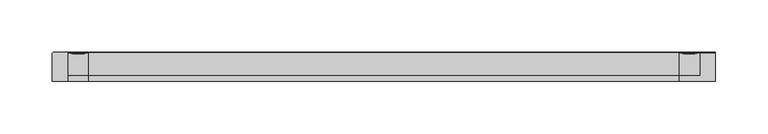
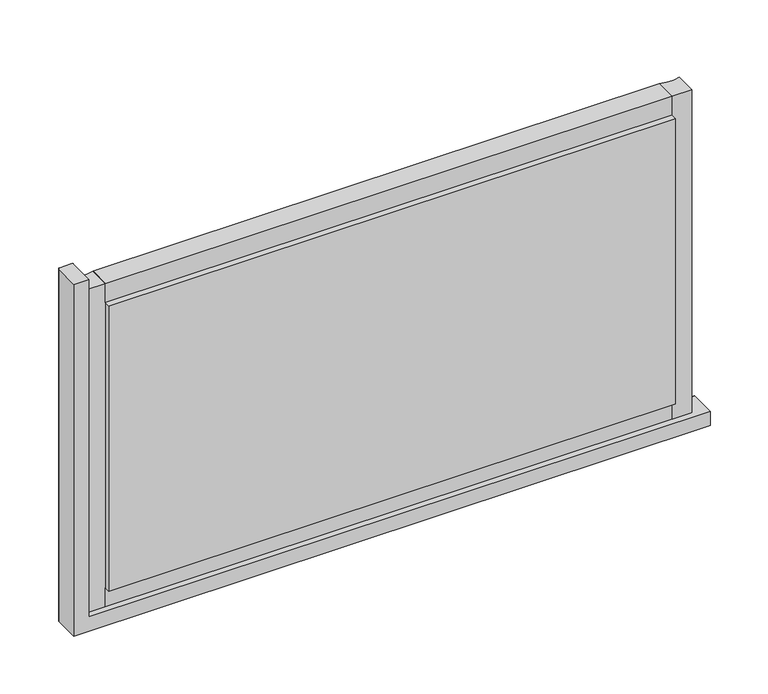
"""IFC4 building model written with IfcOpenShell, lengths in millimetres: plate geometry."""

from ifc_helpers import new_model, si_unit, point, frame, frame_2d, origin, origin_with_axes, place, context, project, spatial, polyline, circle_curve, ellipse_curve, trimmed, segment, composite_curve, outline, extrude, source, transform, mapped, element, save
from ifc_brep_helpers import plane_surface, cylinder_surface, advanced_brep


def plate_5a1a7898(model_context):
    return source(origin(), model_context, "Body", "SolidModel", [
        advanced_brep(
        [(-311.5555549, 13.8070793, 357.0919278), (-313.0555549, 12.3070793, 357.0919278), (-313.0555549, -14.0, 357.0919278), (-298.0555556, -14.0, 357.0919278), (-298.0555556, 12.8070793, 357.0919278), (-299.0557982, 13.8070793, 357.0919278), (-311.5555549, 13.8070793, -13.4999993), (-313.0555549, 12.3070793, -14.9999993), (-313.0555549, -14.0, -14.9999993), (323.0555556, -14.0, -14.9999993), (323.0555556, -14.0, 0.0), (-298.0555556, -14.0, 0.0), (-298.0555556, 12.8070793, 0.0), (-299.0557982, 13.8070793, -1.0002427), (323.0555556, 13.8070793, -1.0002427), (323.0555556, 13.8070793, -13.4999993), (323.0555556, 12.8070793, -0.0002427), (323.0555556, 12.3070793, -14.9999993)],
        [
            (0, 1, circle_curve(frame((-311.5555549, 12.3070793, 357.0919278), z_axis=(0.0, 0.0, 1.0), x_axis=(0.0, -1.0, 0.0)), 1.5)),
            (1, 2),
            (2, 3),
            (3, 4),
            (4, 5, circle_curve(frame((-299.0557982, 12.8070793, 357.0919278), z_axis=(0.0, 0.0, 1.0), x_axis=(0.0, -1.0, 0.0)), 1.0)),
            (5, 0),
            (0, 6),
            (6, 7, ellipse_curve(frame((-311.5555549, 12.3070793, -13.4999993), z_axis=(-0.7071067811865464, 0.0, 0.7071067811865487), x_axis=(0.7071067811865487, 0.0, 0.7071067811865464)), 2.1213203, 1.5)),
            (7, 1),
            (7, 8),
            (8, 2),
            (8, 9),
            (9, 10),
            (10, 11),
            (11, 3),
            (11, 12),
            (12, 4),
            (12, 13, ellipse_curve(frame((-299.0557982, 12.8070793, -1.0002427), z_axis=(-0.7071067811865464, 0.0, 0.7071067811865487), x_axis=(0.7071067811865487, 0.0, 0.7071067811865464)), 1.4142136, 1.0)),
            (13, 5),
            (13, 14),
            (14, 15),
            (15, 6),
            (14, 16, circle_curve(frame((323.0555556, 12.8070793, -1.0002427), z_axis=(1.0, 0.0, 0.0), x_axis=(0.0, -1.0, 0.0)), 1.0)),
            (16, 10),
            (9, 17),
            (17, 15, circle_curve(frame((323.0555556, 12.3070793, -13.4999993), z_axis=(1.0, 0.0, 0.0), x_axis=(0.0, -1.0, 0.0)), 1.5)),
            (17, 7),
            (16, 12),
        ],
        [
            plane_surface(frame((-323.0555556, 0.0, 357.0919278), z_axis=(0.0, 0.0, 1.0), x_axis=(0.0, -1.0, 0.0))),
            cylinder_surface(frame((-311.5555549, 12.3070793, 357.0919278), z_axis=(0.0, 0.0, 1.0), x_axis=(0.0, -1.0, 0.0)), 1.5),
            plane_surface(frame((-313.0555549, 12.3070793, 357.0919278), z_axis=(-1.0, 0.0, 0.0), x_axis=(0.0, 0.0, -1.0))),
            plane_surface(frame((-313.0555549, -14.0, 357.0919278), z_axis=(0.0, -1.0, 0.0), x_axis=(0.0, 0.0, -1.0))),
            plane_surface(frame((-298.0555556, -14.0, 357.0919278), z_axis=(1.0, 0.0, 0.0), x_axis=(0.0, 0.0, -1.0))),
            cylinder_surface(frame((-299.0557982, 12.8070793, 357.0919278), z_axis=(0.0, 0.0, 1.0), x_axis=(0.0, -1.0, 0.0)), 1.0),
            plane_surface(frame((-299.0557982, 13.8070793, 357.0919278), z_axis=(0.0, 1.0, 0.0), x_axis=(0.0, 0.0, -1.0))),
            plane_surface(frame((323.0555556, 0.0, -25.0), z_axis=(1.0, 0.0, 0.0), x_axis=(0.0, -1.0, 0.0))),
            cylinder_surface(frame((-323.0555556, 12.3070793, -13.4999993), z_axis=(-1.0, 0.0, 0.0), x_axis=(0.0, -1.0, 0.0)), 1.5),
            plane_surface(frame((-313.0555549, 12.3070793, -14.9999993), z_axis=(0.0, 0.0, -1.0), x_axis=(1.0, 0.0, 0.0))),
            plane_surface(frame((-298.0555556, -14.0, 0.0), z_axis=(0.0, 0.0, 1.0), x_axis=(1.0, 0.0, 0.0))),
            cylinder_surface(frame((-323.0555556, 12.8070793, -1.0002427), z_axis=(-1.0, 0.0, 0.0), x_axis=(0.0, -1.0, 0.0)), 1.0),
        ],
        [
            (0, [[1, 2, 3, 4, 5, 6]]),
            (1, [[-1, 7, 8, 9]]),
            (2, [[-2, -9, 10, 11]]),
            (3, [[-3, -11, 12, 13, 14, 15]]),
            (4, [[-4, -15, 16, 17]]),
            (5, [[-5, -17, 18, 19]]),
            (6, [[-6, -19, 20, 21, 22, -7]]),
            (7, [[-21, 23, 24, -13, 25, 26]]),
            (8, [[-8, -22, -26, 27]]),
            (9, [[-10, -27, -25, -12]]),
            (10, [[-16, -14, -24, 28]]),
            (11, [[-18, -28, -23, -20]]),
        ],
    ),
        extrude(outline(polyline([(288.0555556, 14.0), (288.0555556, 8.0), (-278.0555556, 8.0), (-278.0555556, 14.0), (288.0555556, 14.0)])), frame((0.0, 0.0, 20.0), z_axis=(0.0, 0.0, 1.0), x_axis=(1.0, 0.0, 0.0)), (0.0, 0.0, 1.0), 302.0919278),
        extrude(outline(polyline([(288.0555556, -8.0), (288.0555556, -14.0), (-278.0555556, -14.0), (-278.0555556, -8.0), (288.0555556, -8.0)])), frame((0.0, 0.0, 20.0), z_axis=(0.0, 0.0, 1.0), x_axis=(1.0, 0.0, 0.0)), (0.0, 0.0, 1.0), 302.0919278),
        extrude(outline(composite_curve([segment(polyline([(13.499631, 0.0), (-8.0, 0.0), (-8.0, 20.0), (13.499631, 20.0)]), True, "CONTINUOUS"), segment(trimmed(circle_curve(frame_2d((45.6328576, 10.0)), 33.6532948), [point((13.499631, 20.0))], [point((13.499631, 0.0))], True, "CARTESIAN"), True, "CONTINUOUS")], self_intersect=False)), frame((-278.0555556, 0.0, 0.0), z_axis=(1.0, 0.0, 0.0), x_axis=(0.0, 1.0, 0.0)), (0.0, 0.0, 1.0), 566.1111111),
        extrude(outline(composite_curve([segment(trimmed(circle_curve(frame_2d((45.6328576, 332.0919278)), 33.6532948), [point((13.499631, 342.0919278))], [point((13.499631, 322.0919278))], True, "CARTESIAN"), True, "CONTINUOUS"), segment(polyline([(13.499631, 322.0919278), (-8.0, 322.0919278), (-8.0, 342.0919278), (13.499631, 342.0919278)]), True, "CONTINUOUS")], self_intersect=False)), frame((-278.0555556, 0.0, 0.0), z_axis=(1.0, 0.0, 0.0), x_axis=(0.0, 1.0, 0.0)), (0.0, 0.0, 1.0), 566.1111111),
        extrude(outline(composite_curve([segment(polyline([(308.0555556, -8.0), (288.0555556, -8.0), (288.0555556, 13.5022002)]), True, "CONTINUOUS"), segment(trimmed(circle_curve(frame_2d((297.9820438, 45.5022747)), 33.5043271), [point((288.0555556, 13.5022002))], [point((308.0555556, 13.548178))], True, "CARTESIAN"), True, "CONTINUOUS"), segment(polyline([(308.0555556, 13.548178), (308.0555556, -8.0)]), True, "CONTINUOUS")], self_intersect=False)), origin_with_axes(), (0.0, 0.0, 1.0), 342.0919278),
        extrude(outline(composite_curve([segment(polyline([(-278.0555556, -8.0), (-298.0555556, -8.0), (-298.0555556, 13.499631)]), True, "CONTINUOUS"), segment(trimmed(circle_curve(frame_2d((-288.0555556, 45.6328576)), 33.6532948), [point((-298.0555556, 13.499631))], [point((-278.0555556, 13.499631))], True, "CARTESIAN"), True, "CONTINUOUS"), segment(polyline([(-278.0555556, 13.499631), (-278.0555556, -8.0)]), True, "CONTINUOUS")], self_intersect=False)), origin_with_axes(), (0.0, 0.0, 1.0), 342.0919278),
    ])


if __name__ == "__main__":
    model = new_model("IFC4")
    model_context = context("Model", 3, world=origin())
    ifc_project = project(units=[si_unit("LENGTHUNIT", "METRE", prefix="MILLI")], contexts=[model_context])
    site = spatial("IfcSite", under=ifc_project)
    building = spatial("IfcBuilding", under=site)
    placement = place(None, origin())
    plate_shape = plate_5a1a7898(model_context)
    element("IfcPlate", 1, at=placement, inside=building, context=model_context, shape_type="MappedRepresentation", body=[
        mapped(plate_shape, transform((0.0, 0.0, 0.0), x_axis=(1.0, 0.0, 0.0), y_axis=(0.0, 1.0, 0.0), z_axis=(0.0, 0.0, 1.0))),
    ])
    save(model, "model.ifc")
